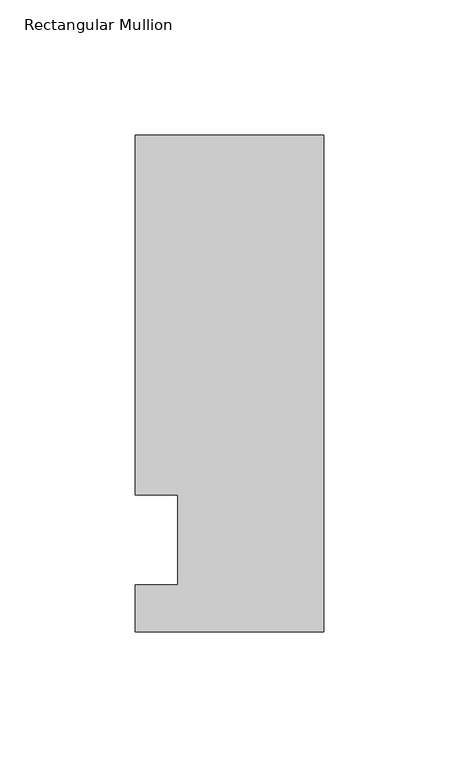
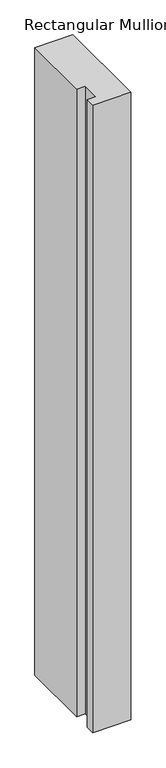
"""IFC4 building model written with IfcOpenShell, lengths in millimetres: member geometry, Rectangular Mullion."""

from ifc_helpers import new_model, si_unit, frame, origin, place, context, project, spatial, polyline, outline, extrude, source, transform, mapped, element, save


def rectangular_mullion_6115be13(model_context):
    return source(origin(), model_context, "Body", "SweptSolid", [
        extrude(outline(polyline([(-69.85, 150.01875), (0.0, 150.01875), (0.0, -34.13125), (-69.85, -34.13125), (-69.85, -16.66875), (-53.9732296, -16.66875), (-53.9732296, 16.66875), (-69.85, 16.66875), (-69.85, 150.01875)])), frame((0.0, 0.0, -1219.2), z_axis=(0.0, 0.0, 1.0), x_axis=(1.0, 0.0, 0.0)), (0.0, 0.0, 1.0), 1219.2),
    ])


if __name__ == "__main__":
    model = new_model("IFC4")
    model_context = context("Model", 3, world=origin())
    ifc_project = project(units=[si_unit("LENGTHUNIT", "METRE", prefix="MILLI")], contexts=[model_context])
    site = spatial("IfcSite", under=ifc_project)
    building = spatial("IfcBuilding", under=site)
    placement = place(None, origin())
    rectangular_mullion_shape = rectangular_mullion_6115be13(model_context)
    element("IfcMember", 1, ObjectType="Rectangular Mullion", at=placement, inside=building, context=model_context, shape_type="MappedRepresentation", body=[
        mapped(rectangular_mullion_shape, transform((0.0, 0.0, 0.0), x_axis=(1.0, 0.0, 0.0), y_axis=(0.0, 1.0, 0.0), z_axis=(0.0, 0.0, 1.0))),
    ])
    save(model, "model.ifc")
